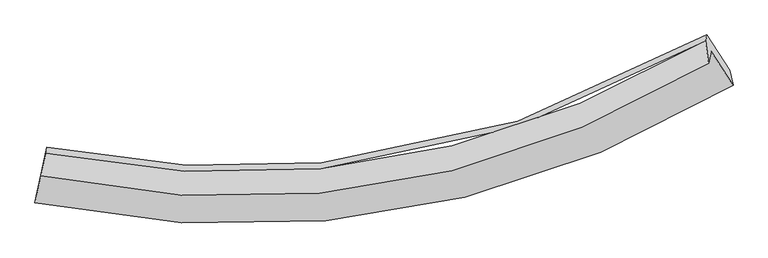
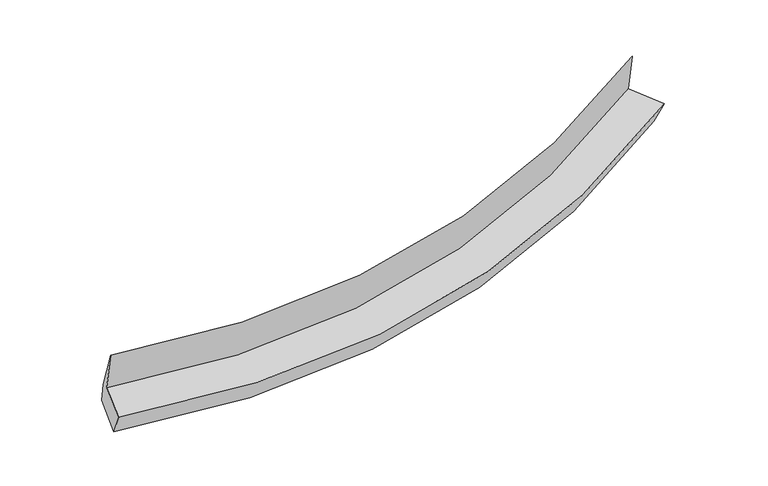
"""IFC4 building model written with IfcOpenShell, lengths in millimetres: proxy geometry."""

from ifc_helpers import new_model, si_unit, frame, origin, place, context, project, spatial, source, transform, mapped, element, save
from ifc_brep_helpers import plane_surface, spline_curve, spline_surface, advanced_brep


def generic_models_16676d34(model_context):
    return source(origin(), model_context, "Body", "AdvancedBrep", [
        advanced_brep(
        [(-5157.0110902, -2048.7581526, 1636.3391421), (-5296.1688614, -2684.1811082, 1485.5012312), (6060.5331297, -769.5157282, 2574.5016095), (5704.1220571, -219.8241599, 2672.1893088), (-5198.3052571, -2245.3497375, 2421.6777168), (5663.1767259, -414.7550219, 3450.8936742), (-5119.6319003, -1877.2170189, 1587.9890459), (5612.5017159, -51.1500193, 2615.9129621), (-5099.9436598, -1783.4860465, 1213.5551744), (5633.1064325, 46.9440751, 2224.0494126), (-5241.3169649, -2428.6337472, 1019.8295235), (6008.6316667, -525.3074969, 2100.5449205)],
        [
            (0, 1),
            (1, 2, spline_curve(3, [(-5296.1688614, -2684.1811082, 1485.5012312), (-3683.245348391, -3021.635859688, 1485.624959559), (-2106.314223594, -3119.914401178, 1544.491650775), (1722.610678177, -2769.811845854, 1836.728143295), (3931.24688409, -2033.311510774, 2140.861578751), (6060.5331297, -769.5157282, 2574.5016095)], [4, 2, 4], [0.0, 15.233042748358766, 37.85106788411538])),
            (2, 3),
            (3, 0, spline_curve(3, [(5704.1220571, -219.8241599, 2672.1893088), (3666.792092518, -1429.974891948, 2264.560193178), (1554.147620788, -2134.681916196, 1977.220880809), (-2107.38265675, -2468.147341225, 1697.664981787), (-3615.115900703, -2373.084980511, 1639.720905517), (-5157.0110902, -2048.7581526, 1636.3391421)], [4, 2, 4], [0.0, 22.618025135756614, 37.85106788411538])),
            (4, 0),
            (3, 5),
            (5, 4, spline_curve(3, [(5663.1767259, -414.7550219, 3450.8936742), (3625.710150465, -1625.556127647, 3045.862653019), (1512.969180254, -2330.722557962, 2760.358560981), (-2148.655458372, -2664.637209526, 2482.597222852), (-3656.408482484, -2569.669017995, 2425.029330186), (-5198.3052571, -2245.3497375, 2421.6777168)], [4, 2, 4], [0.0, 22.112817336243964, 37.00560703595728])),
            (6, 4),
            (5, 7),
            (7, 6, spline_curve(3, [(5612.5017159, -51.1500193, 2615.9129621), (3602.383222395, -1230.132523898, 2189.146589679), (1516.043865268, -1921.954754516, 1895.048956256), (-2102.981809971, -2264.454756822, 1624.899109199), (-3594.020325191, -2181.321525503, 1576.355437246), (-5119.6319003, -1877.2170189, 1587.9890459)], [4, 2, 4], [0.0, 21.978338912628615, 36.78055856639986])),
            (8, 6),
            (7, 9),
            (9, 8, spline_curve(3, [(5633.1064325, 46.9440751, 2224.0494126), (3622.207728022, -1135.752824711, 1812.12120362), (1535.445295677, -1829.589215763, 1526.069679776), (-2083.69072909, -2172.614566566, 1258.018482126), (-3574.611661368, -2088.921549736, 1207.238593822), (-5099.9436598, -1783.4860465, 1213.5551744)], [4, 2, 4], [0.0, 21.84402478911112, 36.55578505162385])),
            (10, 8),
            (9, 11),
            (11, 10, spline_curve(3, [(6008.6316667, -525.3074969, 2100.5449205), (3900.187631062, -1777.803278212, 1673.347905357), (1712.64543993, -2508.406343549, 1372.793547181), (-2080.557420592, -2857.681292176, 1081.753831726), (-3642.998106322, -2761.520310948, 1022.06972427), (-5241.3169649, -2428.6337472, 1019.8295235)], [4, 2, 4], [0.0, 22.37551334630991, 37.44522651865797])),
            (1, 10),
            (11, 2),
        ],
        [
            spline_surface(3, 3, [[(-5157.0110902, -2048.7581526, 1636.3391421), (-3615.115900691, -2373.084980598, 1639.720905676), (-2107.382656767, -2468.147340982, 1697.66498186), (1554.147620813, -2134.681916557, 1977.220880701), (3666.792092654, -1429.97489193, 2264.56019342), (5704.1220571, -219.8241599, 2672.1893088)], [(-5203.397013928, -2260.565804463, 1586.059838482), (-3637.825716538, -2589.268606882, 1588.35559035), (-2107.026512359, -2685.40302769, 1646.607204831), (1610.301973244, -2346.391893024, 1930.389968252), (3754.943689695, -1631.087098274, 2223.327321733), (5822.925747963, -403.054682667, 2639.626742359)], [(-5249.782937672, -2472.373456337, 1535.780534818), (-3660.535532399, -2805.452233177, 1536.990274979), (-2106.670367953, -2902.6587144, 1595.549427779), (1666.456325674, -2558.101869492, 1883.55905578), (3843.095286746, -1832.199304617, 2182.094450069), (5941.729438837, -586.285205433, 2607.064175941)], [(-5296.1688614, -2684.1811082, 1485.5012312), (-3683.245348246, -3021.635859462, 1485.624959652), (-2106.314223545, -3119.914401107, 1544.49165075), (1722.610678105, -2769.811845958, 1836.728143332), (3931.246883787, -2033.311510962, 2140.861578382), (6060.5331297, -769.5157282, 2574.5016095)]], [4, 4], [4, 2, 4], [0.0, 2.181118409672863], [0.0, 15.233042748358766, 37.85106788411538]),
            spline_surface(3, 3, [[(-5198.3052571, -2245.3497375, 2421.6777168), (-3656.408482243, -2569.669018033, 2425.029329976), (-2148.655458138, -2664.637209654, 2482.59722309), (1512.969179907, -2330.722557772, 2760.358560627), (3625.710150124, -1625.556127576, 3045.862653302), (5663.1767259, -414.7550219, 3450.8936742)], [(-5184.540534798, -2179.819209196, 2159.89819191), (-3642.64428839, -2504.14100555, 2163.259855219), (-2134.897857689, -2599.140586777, 2220.953142655), (1526.695326868, -2265.375677381, 2499.312667293), (3639.404130964, -1560.36238234, 2785.42850001), (5676.82516963, -349.778067879, 3191.325552403)], [(-5170.775812502, -2114.288680904, 1898.11866699), (-3628.880094544, -2438.612993081, 1901.490380433), (-2121.140257216, -2533.643963859, 1959.309062295), (1540.421473852, -2200.028796948, 2238.266774034), (3653.098111814, -1495.168637166, 2524.994346711), (5690.47361337, -284.801113921, 2931.757430597)], [(-5157.0110902, -2048.7581526, 1636.3391421), (-3615.115900691, -2373.084980598, 1639.720905676), (-2107.382656767, -2468.147340982, 1697.66498186), (1554.147620813, -2134.681916557, 1977.220880701), (3666.792092654, -1429.97489193, 2264.56019342), (5704.1220571, -219.8241599, 2672.1893088)]], [4, 4], [4, 2, 4], [0.0, 2.6537183491221352], [0.0, 14.89278969971332, 37.00560703595728]),
            spline_surface(3, 3, [[(-5119.6319003, -1877.2170189, 1587.9890459), (-3594.020325129, -2181.321525506, 1576.355437233), (-2102.981809963, -2264.454756683, 1624.899109295), (1516.043865257, -1921.954754723, 1895.048956114), (3602.383222171, -1230.132523683, 2189.146589501), (5612.5017159, -51.1500193, 2615.9129621)], [(-5145.85635255, -1999.927925089, 1865.88526951), (-3614.816377484, -2310.770689671, 1859.246734791), (-2118.206359358, -2397.848907674, 1910.79848056), (1515.018970138, -2058.210689073, 2183.485490952), (3610.15886485, -1361.94039166, 2474.718610775), (5629.393385929, -172.351686846, 2894.23986614)], [(-5172.08080485, -2122.638831311, 2143.78149319), (-3635.612429888, -2440.219853868, 2142.138032418), (-2133.430908744, -2531.243058663, 2196.697851824), (1513.994075027, -2194.466623421, 2471.922025789), (3617.934507444, -1493.748259599, 2760.290632028), (5646.285055871, -293.553354354, 3172.56677016)], [(-5198.3052571, -2245.3497375, 2421.6777168), (-3656.408482243, -2569.669018033, 2425.029329976), (-2148.655458138, -2664.637209654, 2482.59722309), (1512.969179907, -2330.722557772, 2760.358560627), (3625.710150124, -1625.556127576, 3045.862653302), (5663.1767259, -414.7550219, 3450.8936742)]], [4, 4], [4, 2, 4], [0.0, 3.12447807989764], [0.0, 14.802219653771246, 36.78055856639986]),
            spline_surface(3, 3, [[(-5099.9436598, -1783.4860465, 1213.5551744), (-3574.611661169, -2088.921549687, 1207.238593717), (-2083.690729208, -2172.614566636, 1258.018482296), (1535.445295853, -1829.589215658, 1526.069679524), (3622.207728009, -1135.752824843, 1812.121203679), (5633.1064325, 46.9440751, 2224.0494126)], [(-5106.506406656, -1814.729703958, 1338.366464905), (-3581.081215845, -2119.721541618, 1330.277541561), (-2090.121089452, -2203.227963312, 1380.312024626), (1528.978152329, -1860.377728674, 1649.062771717), (3615.599559375, -1167.212724446, 1937.796332268), (5626.238193612, 14.246043644, 2354.670595748)], [(-5113.069153444, -1845.973361442, 1463.177755395), (-3587.550770453, -2150.521533575, 1453.316489389), (-2096.551449719, -2233.841360007, 1502.605566965), (1522.511008781, -1891.166241708, 1772.05586392), (3608.991390804, -1198.672624081, 2063.471460913), (5619.369954788, -18.451987844, 2485.291778952)], [(-5119.6319003, -1877.2170189, 1587.9890459), (-3594.020325129, -2181.321525506, 1576.355437233), (-2102.981809963, -2264.454756683, 1624.899109295), (1516.043865257, -1921.954754723, 1895.048956114), (3602.383222171, -1230.132523683, 2189.146589501), (5612.5017159, -51.1500193, 2615.9129621)]], [4, 4], [4, 2, 4], [0.0, 1.2492093205728558], [0.0, 14.71176026251273, 36.55578505162385]),
            spline_surface(3, 3, [[(-5241.3169649, -2428.6337472, 1019.8295235), (-3642.998106445, -2761.520310728, 1022.069724104), (-2080.557420505, -2857.681292293, 1081.753831617), (1712.645439801, -2508.406343376, 1372.793547342), (3900.187631059, -1777.803278371, 1673.347905462), (6008.6316667, -525.3074969, 2100.5449205)], [(-5194.192529861, -2213.584513662, 1084.404740485), (-3620.20262468, -2537.320723743, 1083.79268066), (-2081.601856744, -2629.325717077, 1140.508715179), (1653.578725147, -2282.133967473, 1423.885591405), (3807.527663373, -1563.786460553, 1719.605671536), (5883.45658863, -334.556972925, 2141.713084535)], [(-5147.068094839, -1998.535280038, 1148.979957415), (-3597.407142933, -2313.121136672, 1145.515637161), (-2082.64629297, -2400.970141852, 1199.263598734), (1594.512010506, -2055.861591561, 1474.977635461), (3714.867695695, -1349.769642661, 1765.863437606), (5758.28151057, -143.806448875, 2182.881248565)], [(-5099.9436598, -1783.4860465, 1213.5551744), (-3574.611661169, -2088.921549687, 1207.238593717), (-2083.690729208, -2172.614566636, 1258.018482296), (1535.445295853, -1829.589215658, 1526.069679524), (3622.207728009, -1135.752824843, 1812.121203679), (5633.1064325, 46.9440751, 2224.0494126)]], [4, 4], [4, 2, 4], [0.0, 2.321782224240705], [0.0, 15.069713172348058, 37.44522651865797]),
            spline_surface(3, 3, [[(-5296.1688614, -2684.1811082, 1485.5012312), (-3683.245348246, -3021.635859462, 1485.624959652), (-2106.314223545, -3119.914401107, 1544.49165075), (1722.610678105, -2769.811845958, 1836.728143332), (3931.246883787, -2033.311510962, 2140.861578382), (6060.5331297, -769.5157282, 2574.5016095)], [(-5277.884895907, -2598.998654532, 1330.277328609), (-3669.829600986, -2934.930676549, 1331.106547778), (-2097.728622525, -3032.503364825, 1390.245711057), (1719.28893201, -2682.67667842, 1682.083278019), (3920.893799547, -1948.142100092, 1985.023687425), (6043.232642036, -688.112984427, 2416.516046516)], [(-5259.600930393, -2513.816200868, 1175.053426091), (-3656.413853705, -2848.22549364, 1176.588135978), (-2089.143021525, -2945.092328575, 1235.999771311), (1715.967185895, -2595.541510914, 1527.438412654), (3910.5407153, -1862.972689241, 1829.185796419), (6025.932154364, -606.710240673, 2258.530483484)], [(-5241.3169649, -2428.6337472, 1019.8295235), (-3642.998106445, -2761.520310728, 1022.069724104), (-2080.557420505, -2857.681292293, 1081.753831617), (1712.645439801, -2508.406343376, 1372.793547342), (3900.187631059, -1777.803278371, 1673.347905462), (6008.6316667, -525.3074969, 2100.5449205)]], [4, 4], [4, 2, 4], [0.0, 1.746408894755548], [0.0, 15.500550521478846, 38.515771256065655]),
            plane_surface(frame((5780.345288, -322.2680585, 2606.3486479), z_axis=(0.8401720457272114, 0.514035303895364, 0.17285438937948194), x_axis=(-0.05094125329112236, -0.2425190401480097, 0.9688082905708527))),
            plane_surface(frame((-5185.3962889, -2177.9376351, 1560.8153057), z_axis=(-0.9769492510315837, 0.21346168925520867, 0.0020659450962238132), x_axis=(0.20840052672673182, 0.9515995945604199, 0.22589252332130266))),
        ],
        [
            (0, [[1, 2, 3, 4]]),
            (1, [[5, -4, 6, 7]]),
            (2, [[8, -7, 9, 10]]),
            (3, [[11, -10, 12, 13]]),
            (4, [[14, -13, 15, 16]]),
            (5, [[17, -16, 18, -2]]),
            (6, [[-12, -9, -6, -3, -18, -15]]),
            (7, [[-1, -5, -8, -11, -14, -17]]),
        ],
    ),
    ])


if __name__ == "__main__":
    model = new_model("IFC4")
    model_context = context("Model", 3, world=origin())
    ifc_project = project(units=[si_unit("LENGTHUNIT", "METRE", prefix="MILLI")], contexts=[model_context])
    site = spatial("IfcSite", under=ifc_project)
    building = spatial("IfcBuilding", under=site)
    placement = place(None, origin())
    generic_models_shape = generic_models_16676d34(model_context)
    element("IfcBuildingElementProxy", 1, Name="Generic Models", at=placement, inside=building, context=model_context, shape_type="MappedRepresentation", body=[
        mapped(generic_models_shape, transform((0.0, 0.0, 0.0), x_axis=(1.0, 0.0, 0.0), y_axis=(0.0, 1.0, 0.0), z_axis=(0.0, 0.0, 1.0))),
    ])
    save(model, "model.ifc")
